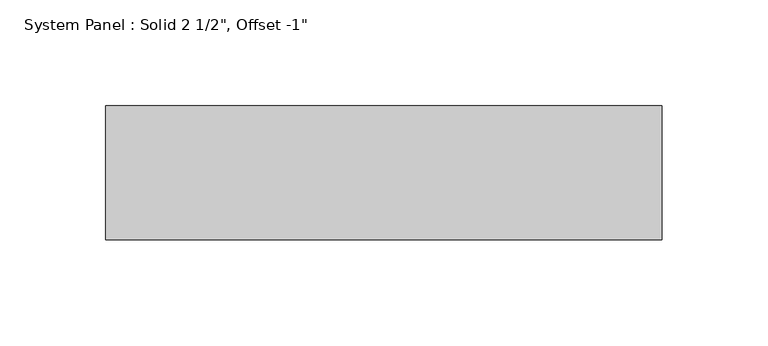
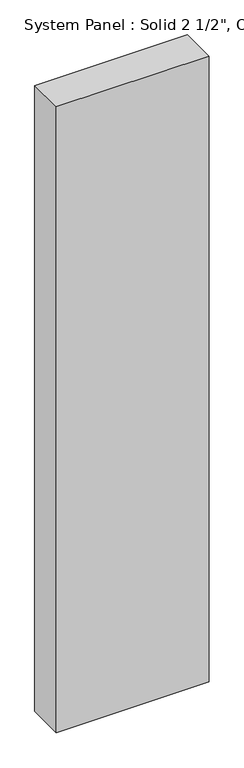
"""IFC4 building model written with IfcOpenShell, lengths in millimetres: plate geometry."""

import ifcopenshell
import ifcopenshell.guid

model = None  # the IFC model being written
_history = None  # IfcOwnerHistory: only IFC2X3 demands one
_inside = {}  # id of a spatial element -> (the spatial element, [elements in it])
_under = {}  # id of a project, library or spatial element -> (it, [spatial elements below it])
_declared = {}  # id of a project -> (the project, [libraries it declares])
_typed = {}  # id of a type object -> (the type object, [elements of that type])
_made_of = {}  # id of a material, layer set ... -> (it, [elements and type objects made of it])


def new_model(schema):
    """Start an empty IFC model of exactly this schema.

    Asked for "IFC4X3", IfcOpenShell would pick the latest addendum, in which some entities
    have other attributes; the version numbers below select the first issue.
    IFC2X3 requires an IfcOwnerHistory on every rooted entity: one is made here for all.
    """
    global model, _history
    if schema == "IFC4X3":
        model = ifcopenshell.file(schema_version=(4, 3, 0, 0))
    else:
        model = ifcopenshell.file(schema=schema)
    _inside.clear()
    _under.clear()
    _declared.clear()
    _typed.clear()
    _made_of.clear()
    _history = None
    if model.schema == "IFC2X3":
        org = make("IfcOrganization", Name="unknown")
        user = make(
            "IfcPersonAndOrganization",
            ThePerson=make("IfcPerson", FamilyName="unknown"),
            TheOrganization=org,
        )
        app = make(
            "IfcApplication",
            ApplicationDeveloper=org,
            Version="unknown",
            ApplicationFullName="unknown",
            ApplicationIdentifier="unknown",
        )
        _history = make(
            "IfcOwnerHistory",
            OwningUser=user,
            OwningApplication=app,
            ChangeAction="ADDED",
            CreationDate=0,
        )
    return model


def make(cls, **values):
    """One entity of the class cls with the attributes given. An attribute that is None is left unset."""
    return model.create_entity(
        cls, **{name: value for name, value in values.items() if value is not None}
    )


def rooted(cls, **values):
    """An entity with a GlobalId (a new one), such as an element, a storey or a relation."""
    return make(cls, GlobalId=ifcopenshell.guid.new(), OwnerHistory=_history, **values)


def si_unit(unit_type, name, prefix=None):
    """IfcSIUnit, for example si_unit("LENGTHUNIT", "METRE", prefix="MILLI")."""
    return make("IfcSIUnit", UnitType=unit_type, Prefix=prefix, Name=name)


def assignment(units):
    """IfcUnitAssignment: the units of a project."""
    return None if units is None else make("IfcUnitAssignment", Units=units)


def point(xyz):
    """IfcCartesianPoint."""
    return None if xyz is None else make("IfcCartesianPoint", Coordinates=xyz)


def direction(xyz):
    """IfcDirection."""
    return None if xyz is None else make("IfcDirection", DirectionRatios=xyz)


def frame(location, z_axis=None, x_axis=None):
    """IfcAxis2Placement3D, a coordinate frame: its origin and axes. An axis left out is left unset."""
    return make(
        "IfcAxis2Placement3D",
        Location=point(location),
        Axis=direction(z_axis),
        RefDirection=direction(x_axis),
    )


def origin():
    """The frame at (0, 0, 0) with its axes left unset."""
    return frame((0.0, 0.0, 0.0))


def origin_with_axes():
    """The frame at (0, 0, 0) with the z axis (0, 0, 1) and the x axis (1, 0, 0) written out."""
    return frame((0.0, 0.0, 0.0), z_axis=(0.0, 0.0, 1.0), x_axis=(1.0, 0.0, 0.0))


def place(relative_to, where):
    """IfcLocalPlacement: puts the frame where relative to a parent placement (None: the world)."""
    return make(
        "IfcLocalPlacement", PlacementRelTo=relative_to, RelativePlacement=where
    )


def context(
    kind, dimensions, precision=None, world=None, true_north=None, identifier=None
):
    """IfcGeometricRepresentationContext, for example the 3D "Model" context."""
    return make(
        "IfcGeometricRepresentationContext",
        ContextIdentifier=identifier,
        ContextType=kind,
        CoordinateSpaceDimension=dimensions,
        Precision=precision,
        WorldCoordinateSystem=world,
        TrueNorth=true_north,
    )


def project(units=None, contexts=None):
    """IfcProject with its units and contexts."""
    return rooted(
        "IfcProject",
        Name="project",
        RepresentationContexts=contexts,
        UnitsInContext=assignment(units),
    )


def spatial(cls, under=None, at=None, **own):
    """A site, building, storey or space (cls), placed at a placement, below another one or the project."""
    s = rooted(cls, ObjectPlacement=at, **own)
    if under is not None:
        _under.setdefault(under.id(), (under, []))[1].append(s)
    return s


def polyline(points):
    """IfcPolyline through the points."""
    return make("IfcPolyline", Points=[point(p) for p in points])


def outline(outer, holes=None, kind="AREA"):
    """IfcArbitraryClosedProfileDef: a profile drawn as a closed curve; with holes, ...WithVoids."""
    if holes is None:
        return make("IfcArbitraryClosedProfileDef", ProfileType=kind, OuterCurve=outer)
    return make(
        "IfcArbitraryProfileDefWithVoids",
        ProfileType=kind,
        OuterCurve=outer,
        InnerCurves=holes,
    )


def extrude(swept, where, along, depth):
    """IfcExtrudedAreaSolid: the profile swept, set in the frame where, extruded along a direction by depth."""
    return make(
        "IfcExtrudedAreaSolid",
        SweptArea=swept,
        Position=where,
        ExtrudedDirection=direction(along),
        Depth=depth,
    )


def shape(context_of_items, identifier, shape_type, items):
    """IfcShapeRepresentation: the items that make up one representation, for example the "Body"."""
    return make(
        "IfcShapeRepresentation",
        ContextOfItems=context_of_items,
        RepresentationIdentifier=identifier,
        RepresentationType=shape_type,
        Items=items,
    )


def source(mapping_origin, context_of_items, identifier, shape_type, items):
    """IfcRepresentationMap: a shape defined once, which mapped items show again and again."""
    return make(
        "IfcRepresentationMap",
        MappingOrigin=mapping_origin,
        MappedRepresentation=shape(context_of_items, identifier, shape_type, items),
    )


def transform(
    local_origin,
    x_axis=None,
    y_axis=None,
    z_axis=None,
    scale=None,
    scale2=None,
    scale3=None,
    uniform=True,
):
    """IfcCartesianTransformationOperator3D, or its non-uniform kind. x_axis, y_axis, z_axis: its Axis1, 2, 3."""
    if uniform:
        return make(
            "IfcCartesianTransformationOperator3D",
            Axis1=direction(x_axis),
            Axis2=direction(y_axis),
            LocalOrigin=point(local_origin),
            Scale=scale,
            Axis3=direction(z_axis),
        )
    return make(
        "IfcCartesianTransformationOperator3DnonUniform",
        Axis1=direction(x_axis),
        Axis2=direction(y_axis),
        LocalOrigin=point(local_origin),
        Scale=scale,
        Axis3=direction(z_axis),
        Scale2=scale2,
        Scale3=scale3,
    )


def mapped(mapping_source, mapping_target):
    """IfcMappedItem: shows the shape of a source again, moved by a transform."""
    return make(
        "IfcMappedItem", MappingSource=mapping_source, MappingTarget=mapping_target
    )


def made_of(thing, what):
    """Note that an element or type object is made of a material, layer set ...; save() writes the relation."""
    if what is not None:
        _made_of.setdefault(what.id(), (what, []))[1].append(thing)
    return thing


def element(
    cls,
    number,
    at=None,
    inside=None,
    cuts=None,
    type_object=None,
    material=None,
    context=None,
    identifier="Body",
    shape_type=None,
    held_by="IfcProductDefinitionShape",
    body=None,
    shapes=None,
    **own,
):
    """One element of the class cls, such as IfcWall. Its Tag is "e" and its number.

    at: its placement. inside: the storey or other place that contains it. cuts: it is an
    opening in that element (IfcRelVoidsElement). A single representation is given by context,
    identifier, shape_type and body (its items); several are given by shapes. held_by: the class
    of the entity that holds the representations. save() writes the other relations.
    """
    e = rooted(cls, Tag="e%d" % number, ObjectPlacement=at, **own)
    if body is not None:
        shapes = [shape(context, identifier, shape_type, body)]
    if shapes is not None:
        e.Representation = make(held_by, Representations=shapes)
    if inside is not None:
        _inside.setdefault(inside.id(), (inside, []))[1].append(e)
    if cuts is not None:
        rooted(
            "IfcRelVoidsElement", RelatingBuildingElement=cuts, RelatedOpeningElement=e
        )
    if type_object is not None:
        _typed.setdefault(type_object.id(), (type_object, []))[1].append(e)
    return made_of(e, material)


def aggregate(whole, parts):
    """IfcRelAggregates: a whole, such as a stair, and the parts it consists of."""
    return rooted("IfcRelAggregates", RelatingObject=whole, RelatedObjects=parts)


def save(model, path):
    """Write the relations noted so far, then the file.

    IfcRelAggregates (storeys below a building ...), IfcRelContainedInSpatialStructure (elements
    in a storey), IfcRelDefinesByType, IfcRelAssociatesMaterial and IfcRelDeclares: one each for
    every whole, place, type object, material and project.
    """
    for whole, parts in _under.values():
        aggregate(whole, parts)
    for where, things in _inside.values():
        rooted(
            "IfcRelContainedInSpatialStructure",
            RelatedElements=things,
            RelatingStructure=where,
        )
    for kind, things in _typed.values():
        rooted("IfcRelDefinesByType", RelatedObjects=things, RelatingType=kind)
    for what, things in _made_of.values():
        rooted("IfcRelAssociatesMaterial", RelatedObjects=things, RelatingMaterial=what)
    for by, libraries in _declared.values():
        rooted("IfcRelDeclares", RelatingContext=by, RelatedDefinitions=libraries)
    model.write(path)


def plate_bf150619(model_context):
    return source(origin(), model_context, "Body", "SweptSolid", [
        extrude(outline(polyline([(131.7625, -57.15), (-131.7625, -57.15), (-131.7625, 6.35), (131.7625, 6.35), (131.7625, -57.15)])), origin_with_axes(), (0.0, 0.0, 1.0), 1140.8833333),
    ])


if __name__ == "__main__":
    model = new_model("IFC4")
    model_context = context("Model", 3, world=origin())
    ifc_project = project(units=[si_unit("LENGTHUNIT", "METRE", prefix="MILLI")], contexts=[model_context])
    site = spatial("IfcSite", under=ifc_project)
    building = spatial("IfcBuilding", under=site)
    placement = place(None, origin())
    plate_shape = plate_bf150619(model_context)
    element("IfcPlate", 1, ObjectType="System Panel : Solid 2 1/2\", Offset -1\"", at=placement, inside=building, context=model_context, shape_type="MappedRepresentation", body=[
        mapped(plate_shape, transform((0.0, 0.0, 0.0), x_axis=(1.0, 0.0, 0.0), y_axis=(0.0, 1.0, 0.0), z_axis=(0.0, 0.0, 1.0))),
    ])
    save(model, "model.ifc")
